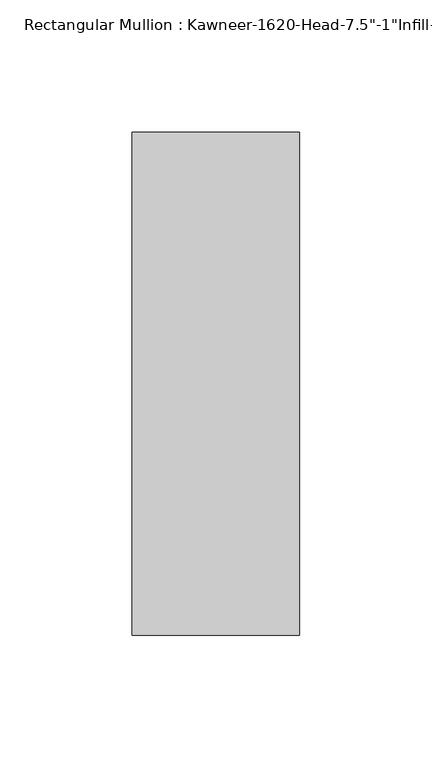
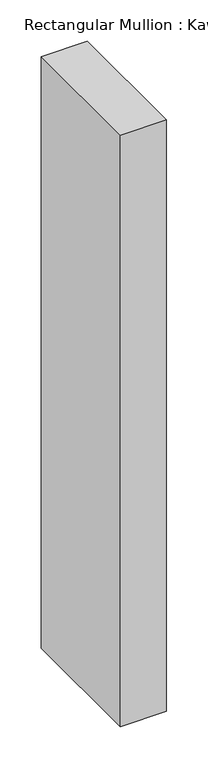
"""IFC4 building model written with IfcOpenShell, lengths in millimetres: member geometry."""

from ifc_helpers import new_model, si_unit, frame, origin, place, context, project, spatial, polyline, outline, extrude, source, transform, mapped, element, save


def member_11d86e79(model_context):
    return source(origin(), model_context, "Body", "SweptSolid", [
        extrude(outline(polyline([(-63.5, 38.1), (0.0, 38.1), (0.0, -152.4), (-63.5, -152.4), (-63.5, 38.1)])), frame((0.0, 0.0, -870.8182369), z_axis=(0.0, 0.0, 1.0), x_axis=(1.0, 0.0, 0.0)), (0.0, 0.0, 1.0), 870.8182369),
    ])


if __name__ == "__main__":
    model = new_model("IFC4")
    model_context = context("Model", 3, world=origin())
    ifc_project = project(units=[si_unit("LENGTHUNIT", "METRE", prefix="MILLI")], contexts=[model_context])
    site = spatial("IfcSite", under=ifc_project)
    building = spatial("IfcBuilding", under=site)
    placement = place(None, origin())
    member_shape = member_11d86e79(model_context)
    element("IfcMember", 1, ObjectType="Rectangular Mullion : Kawneer-1620-Head-7.5\"-1\"Infill-1A", at=placement, inside=building, context=model_context, shape_type="MappedRepresentation", body=[
        mapped(member_shape, transform((0.0, 0.0, 0.0), x_axis=(1.0, 0.0, 0.0), y_axis=(0.0, 1.0, 0.0), z_axis=(0.0, 0.0, 1.0))),
    ])
    save(model, "model.ifc")
